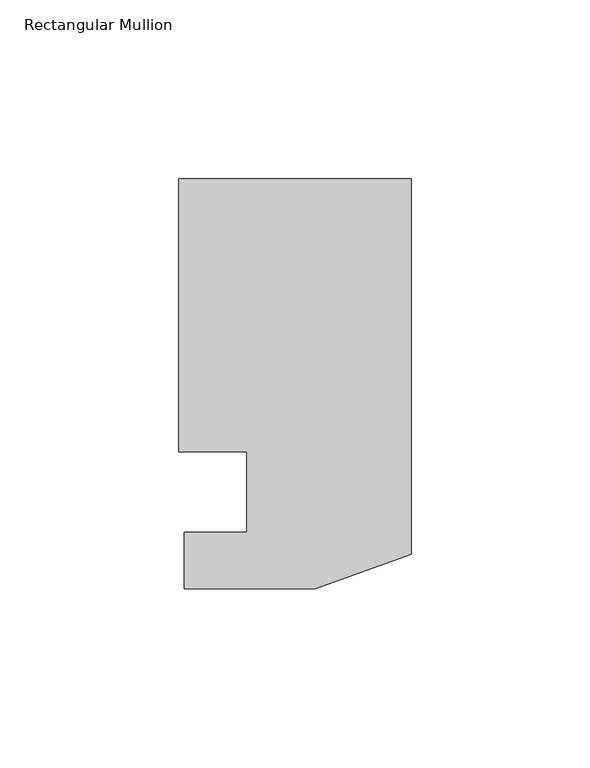
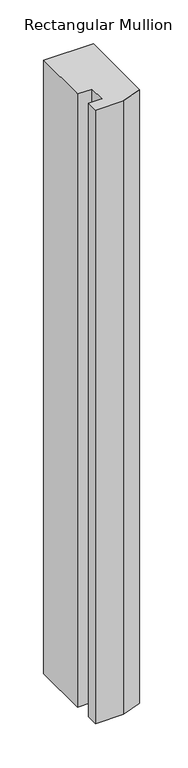
"""IFC4 building model written with IfcOpenShell, lengths in millimetres: member geometry, Rectangular Mullion."""

from ifc_helpers import new_model, si_unit, frame, origin, place, context, project, spatial, polyline, outline, extrude, source, transform, mapped, element, save


def rectangular_mullion_9426339f(model_context):
    return source(origin(), model_context, "Body", "SweptSolid", [
        extrude(outline(polyline([(-46.0375, 0.0992188), (-65.0748, 0.0992188), (-65.0748, 76.6294187), (0.0, 76.6294187), (0.0, -28.4757813), (-26.8478, -38.2293813), (-63.5, -38.2293813), (-63.5, -22.3797813), (-46.0375, -22.3797813), (-46.0375, 0.0992188)])), frame((0.0, 0.0, -850.9), z_axis=(0.0, 0.0, 1.0), x_axis=(1.0, 0.0, 0.0)), (0.0, 0.0, 1.0), 850.9),
    ])


if __name__ == "__main__":
    model = new_model("IFC4")
    model_context = context("Model", 3, world=origin())
    ifc_project = project(units=[si_unit("LENGTHUNIT", "METRE", prefix="MILLI")], contexts=[model_context])
    site = spatial("IfcSite", under=ifc_project)
    building = spatial("IfcBuilding", under=site)
    placement = place(None, origin())
    rectangular_mullion_shape = rectangular_mullion_9426339f(model_context)
    element("IfcMember", 1, ObjectType="Rectangular Mullion", at=placement, inside=building, context=model_context, shape_type="MappedRepresentation", body=[
        mapped(rectangular_mullion_shape, transform((0.0, 0.0, 0.0), x_axis=(1.0, 0.0, 0.0), y_axis=(0.0, 1.0, 0.0), z_axis=(0.0, 0.0, 1.0))),
    ])
    save(model, "model.ifc")
